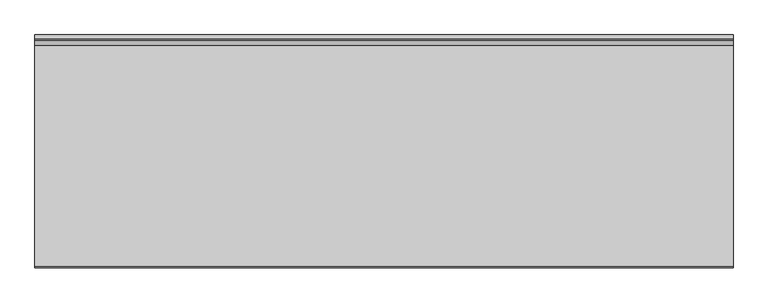
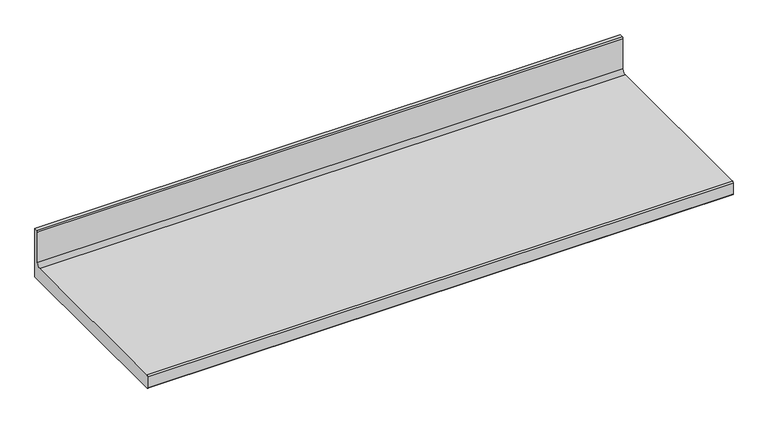
"""IFC4 building model written with IfcOpenShell, lengths in millimetres: furniture geometry."""

import ifcopenshell
import ifcopenshell.guid

model = None  # the IFC model being written
_history = None  # IfcOwnerHistory: only IFC2X3 demands one
_inside = {}  # id of a spatial element -> (the spatial element, [elements in it])
_under = {}  # id of a project, library or spatial element -> (it, [spatial elements below it])
_declared = {}  # id of a project -> (the project, [libraries it declares])
_typed = {}  # id of a type object -> (the type object, [elements of that type])
_made_of = {}  # id of a material, layer set ... -> (it, [elements and type objects made of it])


def new_model(schema):
    """Start an empty IFC model of exactly this schema.

    Asked for "IFC4X3", IfcOpenShell would pick the latest addendum, in which some entities
    have other attributes; the version numbers below select the first issue.
    IFC2X3 requires an IfcOwnerHistory on every rooted entity: one is made here for all.
    """
    global model, _history
    if schema == "IFC4X3":
        model = ifcopenshell.file(schema_version=(4, 3, 0, 0))
    else:
        model = ifcopenshell.file(schema=schema)
    _inside.clear()
    _under.clear()
    _declared.clear()
    _typed.clear()
    _made_of.clear()
    _history = None
    if model.schema == "IFC2X3":
        org = make("IfcOrganization", Name="unknown")
        user = make(
            "IfcPersonAndOrganization",
            ThePerson=make("IfcPerson", FamilyName="unknown"),
            TheOrganization=org,
        )
        app = make(
            "IfcApplication",
            ApplicationDeveloper=org,
            Version="unknown",
            ApplicationFullName="unknown",
            ApplicationIdentifier="unknown",
        )
        _history = make(
            "IfcOwnerHistory",
            OwningUser=user,
            OwningApplication=app,
            ChangeAction="ADDED",
            CreationDate=0,
        )
    return model


def make(cls, **values):
    """One entity of the class cls with the attributes given. An attribute that is None is left unset."""
    return model.create_entity(
        cls, **{name: value for name, value in values.items() if value is not None}
    )


def rooted(cls, **values):
    """An entity with a GlobalId (a new one), such as an element, a storey or a relation."""
    return make(cls, GlobalId=ifcopenshell.guid.new(), OwnerHistory=_history, **values)


def si_unit(unit_type, name, prefix=None):
    """IfcSIUnit, for example si_unit("LENGTHUNIT", "METRE", prefix="MILLI")."""
    return make("IfcSIUnit", UnitType=unit_type, Prefix=prefix, Name=name)


def assignment(units):
    """IfcUnitAssignment: the units of a project."""
    return None if units is None else make("IfcUnitAssignment", Units=units)


def point(xyz):
    """IfcCartesianPoint."""
    return None if xyz is None else make("IfcCartesianPoint", Coordinates=xyz)


def direction(xyz):
    """IfcDirection."""
    return None if xyz is None else make("IfcDirection", DirectionRatios=xyz)


def frame(location, z_axis=None, x_axis=None):
    """IfcAxis2Placement3D, a coordinate frame: its origin and axes. An axis left out is left unset."""
    return make(
        "IfcAxis2Placement3D",
        Location=point(location),
        Axis=direction(z_axis),
        RefDirection=direction(x_axis),
    )


def frame_2d(location, x_axis=None):
    """IfcAxis2Placement2D, a coordinate frame in the plane: its origin and x axis."""
    return make(
        "IfcAxis2Placement2D", Location=point(location), RefDirection=direction(x_axis)
    )


def origin():
    """The frame at (0, 0, 0) with its axes left unset."""
    return frame((0.0, 0.0, 0.0))


def place(relative_to, where):
    """IfcLocalPlacement: puts the frame where relative to a parent placement (None: the world)."""
    return make(
        "IfcLocalPlacement", PlacementRelTo=relative_to, RelativePlacement=where
    )


def context(
    kind, dimensions, precision=None, world=None, true_north=None, identifier=None
):
    """IfcGeometricRepresentationContext, for example the 3D "Model" context."""
    return make(
        "IfcGeometricRepresentationContext",
        ContextIdentifier=identifier,
        ContextType=kind,
        CoordinateSpaceDimension=dimensions,
        Precision=precision,
        WorldCoordinateSystem=world,
        TrueNorth=true_north,
    )


def project(units=None, contexts=None):
    """IfcProject with its units and contexts."""
    return rooted(
        "IfcProject",
        Name="project",
        RepresentationContexts=contexts,
        UnitsInContext=assignment(units),
    )


def spatial(cls, under=None, at=None, **own):
    """A site, building, storey or space (cls), placed at a placement, below another one or the project."""
    s = rooted(cls, ObjectPlacement=at, **own)
    if under is not None:
        _under.setdefault(under.id(), (under, []))[1].append(s)
    return s


def polyline(points):
    """IfcPolyline through the points."""
    return make("IfcPolyline", Points=[point(p) for p in points])


def circle_curve(where, radius):
    """IfcCircle in the frame where."""
    return make("IfcCircle", Position=where, Radius=radius)


def trimmed(basis, trim1, trim2, sense, master):
    """IfcTrimmedCurve: the piece of a basis curve between two trims."""
    return make(
        "IfcTrimmedCurve",
        BasisCurve=basis,
        Trim1=trim1,
        Trim2=trim2,
        SenseAgreement=sense,
        MasterRepresentation=master,
    )


def segment(curve, same_sense, transition):
    """IfcCompositeCurveSegment."""
    return make(
        "IfcCompositeCurveSegment",
        Transition=transition,
        SameSense=same_sense,
        ParentCurve=curve,
    )


def composite_curve(segments, self_intersect=None):
    """IfcCompositeCurve: segments joined end to end."""
    return make("IfcCompositeCurve", Segments=segments, SelfIntersect=self_intersect)


def outline(outer, holes=None, kind="AREA"):
    """IfcArbitraryClosedProfileDef: a profile drawn as a closed curve; with holes, ...WithVoids."""
    if holes is None:
        return make("IfcArbitraryClosedProfileDef", ProfileType=kind, OuterCurve=outer)
    return make(
        "IfcArbitraryProfileDefWithVoids",
        ProfileType=kind,
        OuterCurve=outer,
        InnerCurves=holes,
    )


def extrude(swept, where, along, depth):
    """IfcExtrudedAreaSolid: the profile swept, set in the frame where, extruded along a direction by depth."""
    return make(
        "IfcExtrudedAreaSolid",
        SweptArea=swept,
        Position=where,
        ExtrudedDirection=direction(along),
        Depth=depth,
    )


def shape(context_of_items, identifier, shape_type, items):
    """IfcShapeRepresentation: the items that make up one representation, for example the "Body"."""
    return make(
        "IfcShapeRepresentation",
        ContextOfItems=context_of_items,
        RepresentationIdentifier=identifier,
        RepresentationType=shape_type,
        Items=items,
    )


def source(mapping_origin, context_of_items, identifier, shape_type, items):
    """IfcRepresentationMap: a shape defined once, which mapped items show again and again."""
    return make(
        "IfcRepresentationMap",
        MappingOrigin=mapping_origin,
        MappedRepresentation=shape(context_of_items, identifier, shape_type, items),
    )


def transform(
    local_origin,
    x_axis=None,
    y_axis=None,
    z_axis=None,
    scale=None,
    scale2=None,
    scale3=None,
    uniform=True,
):
    """IfcCartesianTransformationOperator3D, or its non-uniform kind. x_axis, y_axis, z_axis: its Axis1, 2, 3."""
    if uniform:
        return make(
            "IfcCartesianTransformationOperator3D",
            Axis1=direction(x_axis),
            Axis2=direction(y_axis),
            LocalOrigin=point(local_origin),
            Scale=scale,
            Axis3=direction(z_axis),
        )
    return make(
        "IfcCartesianTransformationOperator3DnonUniform",
        Axis1=direction(x_axis),
        Axis2=direction(y_axis),
        LocalOrigin=point(local_origin),
        Scale=scale,
        Axis3=direction(z_axis),
        Scale2=scale2,
        Scale3=scale3,
    )


def mapped(mapping_source, mapping_target):
    """IfcMappedItem: shows the shape of a source again, moved by a transform."""
    return make(
        "IfcMappedItem", MappingSource=mapping_source, MappingTarget=mapping_target
    )


def made_of(thing, what):
    """Note that an element or type object is made of a material, layer set ...; save() writes the relation."""
    if what is not None:
        _made_of.setdefault(what.id(), (what, []))[1].append(thing)
    return thing


def element(
    cls,
    number,
    at=None,
    inside=None,
    cuts=None,
    type_object=None,
    material=None,
    context=None,
    identifier="Body",
    shape_type=None,
    held_by="IfcProductDefinitionShape",
    body=None,
    shapes=None,
    **own,
):
    """One element of the class cls, such as IfcWall. Its Tag is "e" and its number.

    at: its placement. inside: the storey or other place that contains it. cuts: it is an
    opening in that element (IfcRelVoidsElement). A single representation is given by context,
    identifier, shape_type and body (its items); several are given by shapes. held_by: the class
    of the entity that holds the representations. save() writes the other relations.
    """
    e = rooted(cls, Tag="e%d" % number, ObjectPlacement=at, **own)
    if body is not None:
        shapes = [shape(context, identifier, shape_type, body)]
    if shapes is not None:
        e.Representation = make(held_by, Representations=shapes)
    if inside is not None:
        _inside.setdefault(inside.id(), (inside, []))[1].append(e)
    if cuts is not None:
        rooted(
            "IfcRelVoidsElement", RelatingBuildingElement=cuts, RelatedOpeningElement=e
        )
    if type_object is not None:
        _typed.setdefault(type_object.id(), (type_object, []))[1].append(e)
    return made_of(e, material)


def aggregate(whole, parts):
    """IfcRelAggregates: a whole, such as a stair, and the parts it consists of."""
    return rooted("IfcRelAggregates", RelatingObject=whole, RelatedObjects=parts)


def save(model, path):
    """Write the relations noted so far, then the file.

    IfcRelAggregates (storeys below a building ...), IfcRelContainedInSpatialStructure (elements
    in a storey), IfcRelDefinesByType, IfcRelAssociatesMaterial and IfcRelDeclares: one each for
    every whole, place, type object, material and project.
    """
    for whole, parts in _under.values():
        aggregate(whole, parts)
    for where, things in _inside.values():
        rooted(
            "IfcRelContainedInSpatialStructure",
            RelatedElements=things,
            RelatingStructure=where,
        )
    for kind, things in _typed.values():
        rooted("IfcRelDefinesByType", RelatedObjects=things, RelatingType=kind)
    for what, things in _made_of.values():
        rooted("IfcRelAssociatesMaterial", RelatedObjects=things, RelatingMaterial=what)
    for by, libraries in _declared.values():
        rooted("IfcRelDeclares", RelatingContext=by, RelatedDefinitions=libraries)
    model.write(path)


def furniture_b8d61d68(model_context):
    return source(origin(), model_context, "Body", "SweptSolid", [
        extrude(outline(composite_curve([segment(polyline([(488.4002442, 583.1000671), (-42.121014, 583.1000671)]), True, "CONTINUOUS"), segment(trimmed(circle_curve(frame_2d((-42.121014, 585.9788088)), 2.8787417), [point((-42.121014, 583.1000671))], [point((-44.9997558, 585.9788088))], False, "CARTESIAN"), True, "CONTINUOUS"), segment(polyline([(-44.9997558, 585.9788088), (-44.9997558, 617.7620871)]), True, "CONTINUOUS"), segment(trimmed(circle_curve(frame_2d((-41.5617272, 617.7620871)), 3.4380285), [point((-44.9997558, 617.7620871))], [point((-41.5617272, 621.2001156))], False, "CARTESIAN"), True, "CONTINUOUS"), segment(polyline([(-41.5617272, 621.2001156), (465.2461147, 621.2001156)]), True, "CONTINUOUS"), segment(trimmed(circle_curve(frame_2d((465.2461147, 632.3720839)), 11.1719683), [point((465.2461147, 621.2001156))], [point((476.4180831, 632.3720839))], True, "CARTESIAN"), True, "CONTINUOUS"), segment(polyline([(476.4180831, 632.3720839), (476.4180831, 719.5700811)]), True, "CONTINUOUS"), segment(trimmed(circle_curve(frame_2d((479.648166, 719.5700811)), 3.230083), [point((476.4180831, 719.5700811))], [point((479.648166, 722.800164))], False, "CARTESIAN"), True, "CONTINUOUS"), segment(polyline([(479.648166, 722.800164), (488.4002442, 722.800164), (488.4002442, 583.1000671)]), True, "CONTINUOUS")], self_intersect=False)), frame((-12.7, 0.0, 0.0), z_axis=(1.0, 0.0, 0.0), x_axis=(0.0, 1.0, 0.0)), (0.0, 0.0, 1.0), 1600.2),
    ])


if __name__ == "__main__":
    model = new_model("IFC4")
    model_context = context("Model", 3, world=origin())
    ifc_project = project(units=[si_unit("LENGTHUNIT", "METRE", prefix="MILLI")], contexts=[model_context])
    site = spatial("IfcSite", under=ifc_project)
    building = spatial("IfcBuilding", under=site)
    placement = place(None, origin())
    furniture_shape = furniture_b8d61d68(model_context)
    element("IfcFurniture", 1, at=placement, inside=building, context=model_context, shape_type="MappedRepresentation", body=[
        mapped(furniture_shape, transform((0.0, 0.0, 0.0), x_axis=(1.0, 0.0, 0.0), y_axis=(0.0, 1.0, 0.0), z_axis=(0.0, 0.0, 1.0))),
    ])
    save(model, "model.ifc")
